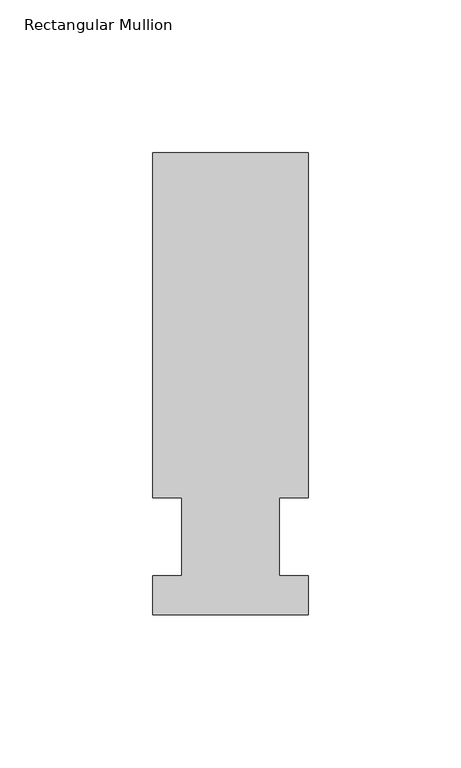
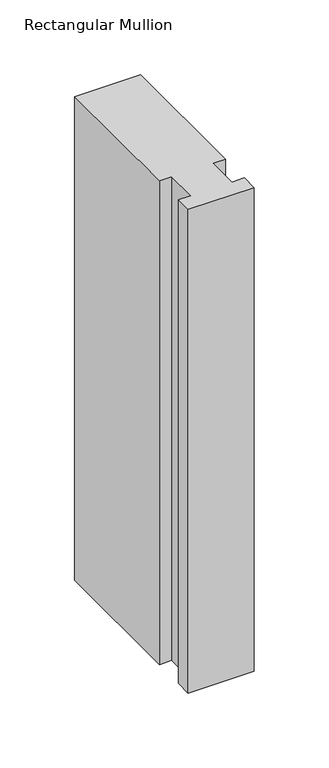
"""IFC4 building model written with IfcOpenShell, lengths in millimetres: member geometry, Rectangular Mullion."""

import ifcopenshell
import ifcopenshell.guid

model = None  # the IFC model being written
_history = None  # IfcOwnerHistory: only IFC2X3 demands one
_inside = {}  # id of a spatial element -> (the spatial element, [elements in it])
_under = {}  # id of a project, library or spatial element -> (it, [spatial elements below it])
_declared = {}  # id of a project -> (the project, [libraries it declares])
_typed = {}  # id of a type object -> (the type object, [elements of that type])
_made_of = {}  # id of a material, layer set ... -> (it, [elements and type objects made of it])


def new_model(schema):
    """Start an empty IFC model of exactly this schema.

    Asked for "IFC4X3", IfcOpenShell would pick the latest addendum, in which some entities
    have other attributes; the version numbers below select the first issue.
    IFC2X3 requires an IfcOwnerHistory on every rooted entity: one is made here for all.
    """
    global model, _history
    if schema == "IFC4X3":
        model = ifcopenshell.file(schema_version=(4, 3, 0, 0))
    else:
        model = ifcopenshell.file(schema=schema)
    _inside.clear()
    _under.clear()
    _declared.clear()
    _typed.clear()
    _made_of.clear()
    _history = None
    if model.schema == "IFC2X3":
        org = make("IfcOrganization", Name="unknown")
        user = make(
            "IfcPersonAndOrganization",
            ThePerson=make("IfcPerson", FamilyName="unknown"),
            TheOrganization=org,
        )
        app = make(
            "IfcApplication",
            ApplicationDeveloper=org,
            Version="unknown",
            ApplicationFullName="unknown",
            ApplicationIdentifier="unknown",
        )
        _history = make(
            "IfcOwnerHistory",
            OwningUser=user,
            OwningApplication=app,
            ChangeAction="ADDED",
            CreationDate=0,
        )
    return model


def make(cls, **values):
    """One entity of the class cls with the attributes given. An attribute that is None is left unset."""
    return model.create_entity(
        cls, **{name: value for name, value in values.items() if value is not None}
    )


def rooted(cls, **values):
    """An entity with a GlobalId (a new one), such as an element, a storey or a relation."""
    return make(cls, GlobalId=ifcopenshell.guid.new(), OwnerHistory=_history, **values)


def si_unit(unit_type, name, prefix=None):
    """IfcSIUnit, for example si_unit("LENGTHUNIT", "METRE", prefix="MILLI")."""
    return make("IfcSIUnit", UnitType=unit_type, Prefix=prefix, Name=name)


def assignment(units):
    """IfcUnitAssignment: the units of a project."""
    return None if units is None else make("IfcUnitAssignment", Units=units)


def point(xyz):
    """IfcCartesianPoint."""
    return None if xyz is None else make("IfcCartesianPoint", Coordinates=xyz)


def direction(xyz):
    """IfcDirection."""
    return None if xyz is None else make("IfcDirection", DirectionRatios=xyz)


def frame(location, z_axis=None, x_axis=None):
    """IfcAxis2Placement3D, a coordinate frame: its origin and axes. An axis left out is left unset."""
    return make(
        "IfcAxis2Placement3D",
        Location=point(location),
        Axis=direction(z_axis),
        RefDirection=direction(x_axis),
    )


def origin():
    """The frame at (0, 0, 0) with its axes left unset."""
    return frame((0.0, 0.0, 0.0))


def place(relative_to, where):
    """IfcLocalPlacement: puts the frame where relative to a parent placement (None: the world)."""
    return make(
        "IfcLocalPlacement", PlacementRelTo=relative_to, RelativePlacement=where
    )


def context(
    kind, dimensions, precision=None, world=None, true_north=None, identifier=None
):
    """IfcGeometricRepresentationContext, for example the 3D "Model" context."""
    return make(
        "IfcGeometricRepresentationContext",
        ContextIdentifier=identifier,
        ContextType=kind,
        CoordinateSpaceDimension=dimensions,
        Precision=precision,
        WorldCoordinateSystem=world,
        TrueNorth=true_north,
    )


def project(units=None, contexts=None):
    """IfcProject with its units and contexts."""
    return rooted(
        "IfcProject",
        Name="project",
        RepresentationContexts=contexts,
        UnitsInContext=assignment(units),
    )


def spatial(cls, under=None, at=None, **own):
    """A site, building, storey or space (cls), placed at a placement, below another one or the project."""
    s = rooted(cls, ObjectPlacement=at, **own)
    if under is not None:
        _under.setdefault(under.id(), (under, []))[1].append(s)
    return s


def polyline(points):
    """IfcPolyline through the points."""
    return make("IfcPolyline", Points=[point(p) for p in points])


def outline(outer, holes=None, kind="AREA"):
    """IfcArbitraryClosedProfileDef: a profile drawn as a closed curve; with holes, ...WithVoids."""
    if holes is None:
        return make("IfcArbitraryClosedProfileDef", ProfileType=kind, OuterCurve=outer)
    return make(
        "IfcArbitraryProfileDefWithVoids",
        ProfileType=kind,
        OuterCurve=outer,
        InnerCurves=holes,
    )


def extrude(swept, where, along, depth):
    """IfcExtrudedAreaSolid: the profile swept, set in the frame where, extruded along a direction by depth."""
    return make(
        "IfcExtrudedAreaSolid",
        SweptArea=swept,
        Position=where,
        ExtrudedDirection=direction(along),
        Depth=depth,
    )


def shape(context_of_items, identifier, shape_type, items):
    """IfcShapeRepresentation: the items that make up one representation, for example the "Body"."""
    return make(
        "IfcShapeRepresentation",
        ContextOfItems=context_of_items,
        RepresentationIdentifier=identifier,
        RepresentationType=shape_type,
        Items=items,
    )


def source(mapping_origin, context_of_items, identifier, shape_type, items):
    """IfcRepresentationMap: a shape defined once, which mapped items show again and again."""
    return make(
        "IfcRepresentationMap",
        MappingOrigin=mapping_origin,
        MappedRepresentation=shape(context_of_items, identifier, shape_type, items),
    )


def transform(
    local_origin,
    x_axis=None,
    y_axis=None,
    z_axis=None,
    scale=None,
    scale2=None,
    scale3=None,
    uniform=True,
):
    """IfcCartesianTransformationOperator3D, or its non-uniform kind. x_axis, y_axis, z_axis: its Axis1, 2, 3."""
    if uniform:
        return make(
            "IfcCartesianTransformationOperator3D",
            Axis1=direction(x_axis),
            Axis2=direction(y_axis),
            LocalOrigin=point(local_origin),
            Scale=scale,
            Axis3=direction(z_axis),
        )
    return make(
        "IfcCartesianTransformationOperator3DnonUniform",
        Axis1=direction(x_axis),
        Axis2=direction(y_axis),
        LocalOrigin=point(local_origin),
        Scale=scale,
        Axis3=direction(z_axis),
        Scale2=scale2,
        Scale3=scale3,
    )


def mapped(mapping_source, mapping_target):
    """IfcMappedItem: shows the shape of a source again, moved by a transform."""
    return make(
        "IfcMappedItem", MappingSource=mapping_source, MappingTarget=mapping_target
    )


def made_of(thing, what):
    """Note that an element or type object is made of a material, layer set ...; save() writes the relation."""
    if what is not None:
        _made_of.setdefault(what.id(), (what, []))[1].append(thing)
    return thing


def element(
    cls,
    number,
    at=None,
    inside=None,
    cuts=None,
    type_object=None,
    material=None,
    context=None,
    identifier="Body",
    shape_type=None,
    held_by="IfcProductDefinitionShape",
    body=None,
    shapes=None,
    **own,
):
    """One element of the class cls, such as IfcWall. Its Tag is "e" and its number.

    at: its placement. inside: the storey or other place that contains it. cuts: it is an
    opening in that element (IfcRelVoidsElement). A single representation is given by context,
    identifier, shape_type and body (its items); several are given by shapes. held_by: the class
    of the entity that holds the representations. save() writes the other relations.
    """
    e = rooted(cls, Tag="e%d" % number, ObjectPlacement=at, **own)
    if body is not None:
        shapes = [shape(context, identifier, shape_type, body)]
    if shapes is not None:
        e.Representation = make(held_by, Representations=shapes)
    if inside is not None:
        _inside.setdefault(inside.id(), (inside, []))[1].append(e)
    if cuts is not None:
        rooted(
            "IfcRelVoidsElement", RelatingBuildingElement=cuts, RelatedOpeningElement=e
        )
    if type_object is not None:
        _typed.setdefault(type_object.id(), (type_object, []))[1].append(e)
    return made_of(e, material)


def aggregate(whole, parts):
    """IfcRelAggregates: a whole, such as a stair, and the parts it consists of."""
    return rooted("IfcRelAggregates", RelatingObject=whole, RelatedObjects=parts)


def save(model, path):
    """Write the relations noted so far, then the file.

    IfcRelAggregates (storeys below a building ...), IfcRelContainedInSpatialStructure (elements
    in a storey), IfcRelDefinesByType, IfcRelAssociatesMaterial and IfcRelDeclares: one each for
    every whole, place, type object, material and project.
    """
    for whole, parts in _under.values():
        aggregate(whole, parts)
    for where, things in _inside.values():
        rooted(
            "IfcRelContainedInSpatialStructure",
            RelatedElements=things,
            RelatingStructure=where,
        )
    for kind, things in _typed.values():
        rooted("IfcRelDefinesByType", RelatedObjects=things, RelatingType=kind)
    for what, things in _made_of.values():
        rooted("IfcRelAssociatesMaterial", RelatedObjects=things, RelatingMaterial=what)
    for by, libraries in _declared.values():
        rooted("IfcRelDeclares", RelatingContext=by, RelatedDefinitions=libraries)
    model.write(path)


def rectangular_mullion_bc9dc975(model_context):
    return source(origin(), model_context, "Body", "SweptSolid", [
        extrude(outline(polyline([(-25.4, -25.58415), (-25.4, -12.7), (-15.875, -12.7), (-15.875, 12.7), (-25.4, 12.7), (-25.4, 125.59665), (25.4, 125.59665), (25.4, 12.7), (15.875, 12.7), (15.875, -12.7), (25.4, -12.7), (25.4, -25.58415), (-25.4, -25.58415)])), frame((0.0, 0.0, -393.7), z_axis=(0.0, 0.0, 1.0), x_axis=(1.0, 0.0, 0.0)), (0.0, 0.0, 1.0), 393.7),
    ])


if __name__ == "__main__":
    model = new_model("IFC4")
    model_context = context("Model", 3, world=origin())
    ifc_project = project(units=[si_unit("LENGTHUNIT", "METRE", prefix="MILLI")], contexts=[model_context])
    site = spatial("IfcSite", under=ifc_project)
    building = spatial("IfcBuilding", under=site)
    placement = place(None, origin())
    rectangular_mullion_shape = rectangular_mullion_bc9dc975(model_context)
    element("IfcMember", 1, ObjectType="Rectangular Mullion", at=placement, inside=building, context=model_context, shape_type="MappedRepresentation", body=[
        mapped(rectangular_mullion_shape, transform((0.0, 0.0, 0.0), x_axis=(1.0, 0.0, 0.0), y_axis=(0.0, 1.0, 0.0), z_axis=(0.0, 0.0, 1.0))),
    ])
    save(model, "model.ifc")
